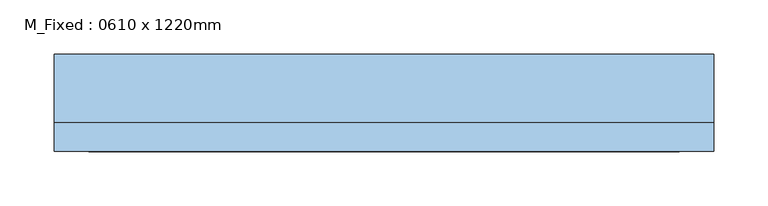
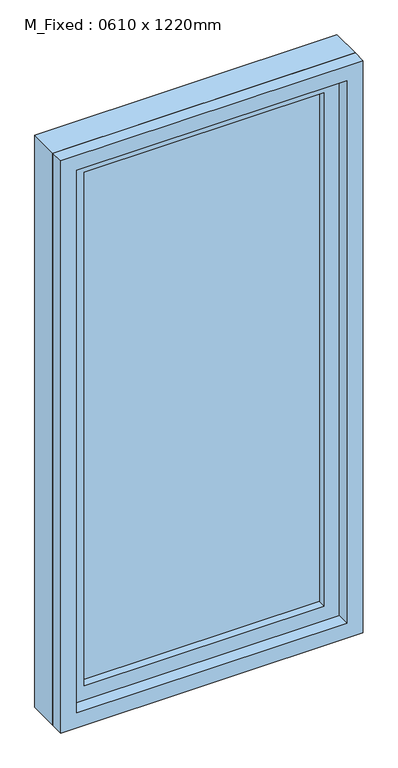
"""IFC4 building model written with IfcOpenShell, lengths in millimetres: window geometry, M_Fixed : 0610 x 1220mm."""

from ifc_helpers import new_model, si_unit, frame, origin, place, context, project, spatial, polyline, outline, extrude, source, transform, mapped, element, save


def m_fixed_0610_x_1220mm_3442b736(model_context):
    return source(origin(), model_context, "Body", "SweptSolid", [
        extrude(outline(polyline([(-242.0, 23.0), (242.0, 23.0), (242.0, 11.0), (-242.0, 11.0), (-242.0, 23.0)])), frame((0.0, 0.0, 978.0), z_axis=(0.0, 0.0, 1.0), x_axis=(1.0, 0.0, 0.0)), (0.0, 0.0, 1.0), 1094.0),
        extrude(outline(polyline([(2116.0, -286.0), (934.0, -286.0), (934.0, 286.0), (2116.0, 286.0), (2116.0, -286.0)]), holes=[polyline([(2072.0, -242.0), (2072.0, 242.0), (978.0, 242.0), (978.0, -242.0), (2072.0, -242.0)])]), frame((0.0, -5.0, 0.0), z_axis=(0.0, 1.0, 0.0), x_axis=(0.0, 0.0, 1.0)), (0.0, 0.0, 1.0), 44.0),
        extrude(outline(polyline([(2135.0, -305.0), (915.0, -305.0), (915.0, 305.0), (2135.0, 305.0), (2135.0, -305.0)]), holes=[polyline([(2116.0, -286.0), (2116.0, 286.0), (934.0, 286.0), (934.0, -286.0), (2116.0, -286.0)])]), frame((0.0, -5.0, 0.0), z_axis=(0.0, 1.0, 0.0), x_axis=(0.0, 0.0, 1.0)), (0.0, 0.0, 1.0), 63.0),
        extrude(outline(polyline([(2135.0, -305.0), (915.0, -305.0), (915.0, 305.0), (2135.0, 305.0), (2135.0, -305.0)]), holes=[polyline([(2103.0, -273.0), (2103.0, 273.0), (947.0, 273.0), (947.0, -273.0), (2103.0, -273.0)])]), frame((0.0, -32.0, 0.0), z_axis=(0.0, 1.0, 0.0), x_axis=(0.0, 0.0, 1.0)), (0.0, 0.0, 1.0), 27.0),
    ])


if __name__ == "__main__":
    model = new_model("IFC4")
    model_context = context("Model", 3, world=origin())
    ifc_project = project(units=[si_unit("LENGTHUNIT", "METRE", prefix="MILLI")], contexts=[model_context])
    site = spatial("IfcSite", under=ifc_project)
    building = spatial("IfcBuilding", under=site)
    placement = place(None, origin())
    m_fixed_0610_x_1220mm_shape = m_fixed_0610_x_1220mm_3442b736(model_context)
    element("IfcWindow", 1, ObjectType="M_Fixed : 0610 x 1220mm", at=placement, inside=building, context=model_context, shape_type="MappedRepresentation", body=[
        mapped(m_fixed_0610_x_1220mm_shape, transform((0.0, 0.0, 0.0), x_axis=(1.0, 0.0, 0.0), y_axis=(0.0, 1.0, 0.0), z_axis=(0.0, 0.0, 1.0))),
    ])
    save(model, "model.ifc")
